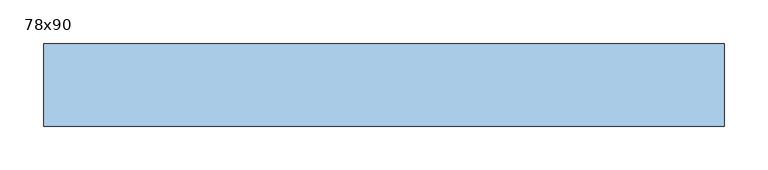
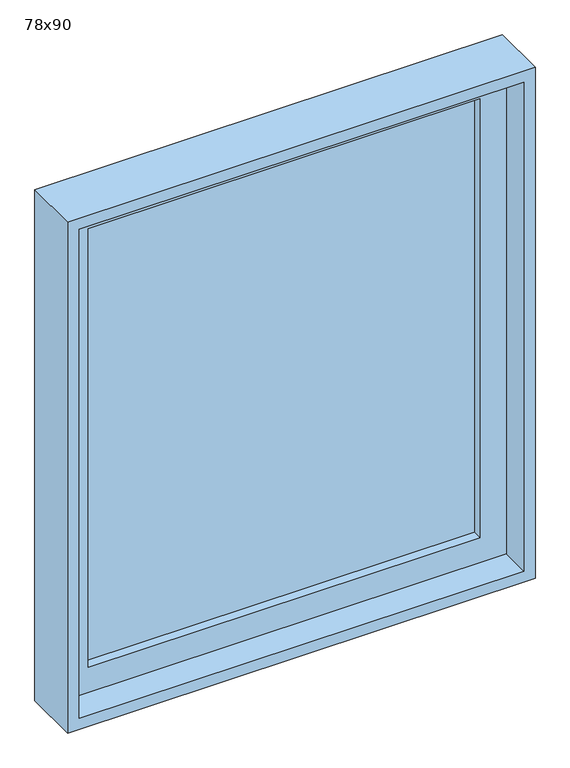
"""IFC4 building model written with IfcOpenShell, lengths in millimetres: window geometry, 78x90."""

from ifc_helpers import new_model, si_unit, frame, origin, place, context, project, spatial, polyline, outline, extrude, source, transform, mapped, element, save


def window_78x90_852e7016(model_context):
    return source(origin(), model_context, "Body", "SweptSolid", [
        extrude(outline(polyline([(288.4, -66.425), (288.4, -79.125), (-364.6, -79.125), (-364.6, -66.425), (288.4, -66.425)])), frame((0.0, 0.0, 977.9), z_axis=(0.0, 0.0, 1.0), x_axis=(1.0, 0.0, 0.0)), (0.0, 0.0, 1.0), 773.0),
        extrude(outline(polyline([(1795.35, -409.05), (933.45, -409.05), (933.45, 332.85), (1795.35, 332.85), (1795.35, -409.05)]), holes=[polyline([(1750.9, -364.6), (1750.9, 288.4), (977.9, 288.4), (977.9, -364.6), (1750.9, -364.6)])]), frame((0.0, -95.0, 0.0), z_axis=(0.0, 1.0, 0.0), x_axis=(0.0, 0.0, 1.0)), (0.0, 0.0, 1.0), 44.45),
        extrude(outline(polyline([(1814.4, 351.9), (1814.4, -428.1), (914.4, -428.1), (914.4, 351.9), (1814.4, 351.9)]), holes=[polyline([(1795.35, 332.85), (933.45, 332.85), (933.45, -409.05), (1795.35, -409.05), (1795.35, 332.85)])]), frame((0.0, -145.0, 0.0), z_axis=(0.0, 1.0, 0.0), x_axis=(0.0, 0.0, 1.0)), (0.0, 0.0, 1.0), 94.45),
    ])


if __name__ == "__main__":
    model = new_model("IFC4")
    model_context = context("Model", 3, world=origin())
    ifc_project = project(units=[si_unit("LENGTHUNIT", "METRE", prefix="MILLI")], contexts=[model_context])
    site = spatial("IfcSite", under=ifc_project)
    building = spatial("IfcBuilding", under=site)
    placement = place(None, origin())
    window_78x90_shape = window_78x90_852e7016(model_context)
    element("IfcWindow", 1, ObjectType="78x90", at=placement, inside=building, context=model_context, shape_type="MappedRepresentation", body=[
        mapped(window_78x90_shape, transform((0.0, 0.0, 0.0), x_axis=(1.0, 0.0, 0.0), y_axis=(0.0, 1.0, 0.0), z_axis=(0.0, 0.0, 1.0))),
    ])
    save(model, "model.ifc")
